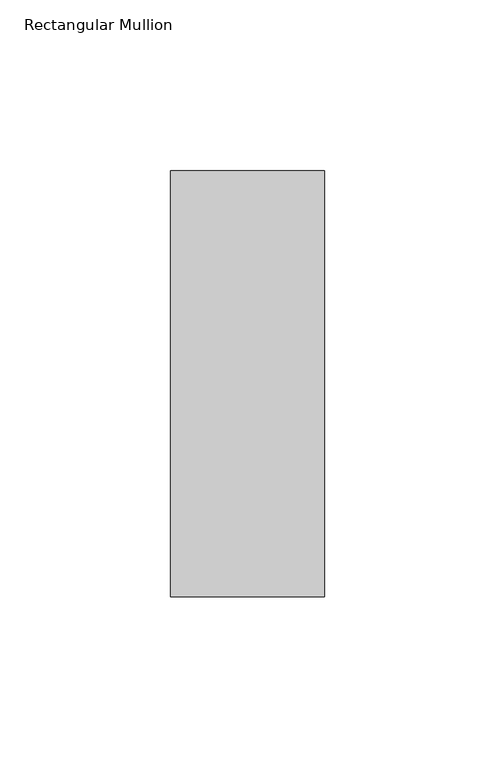
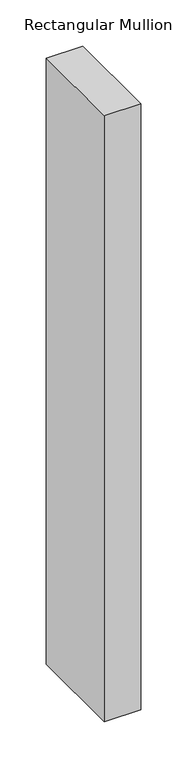
"""IFC4 building model written with IfcOpenShell, lengths in millimetres: member geometry, Rectangular Mullion."""

from ifc_helpers import new_model, si_unit, frame, origin, place, context, project, spatial, polyline, outline, extrude, source, transform, mapped, element, save


def rectangular_mullion_7e0adad7(model_context):
    return source(origin(), model_context, "Body", "SweptSolid", [
        extrude(outline(polyline([(22.5, -77.84375), (-22.5, -77.84375), (-22.5, 46.84375), (22.5, 46.84375), (22.5, -77.84375)])), frame((0.0, 0.0, -796.1), z_axis=(0.0, 0.0, 1.0), x_axis=(1.0, 0.0, 0.0)), (0.0, 0.0, 1.0), 796.1),
    ])


if __name__ == "__main__":
    model = new_model("IFC4")
    model_context = context("Model", 3, world=origin())
    ifc_project = project(units=[si_unit("LENGTHUNIT", "METRE", prefix="MILLI")], contexts=[model_context])
    site = spatial("IfcSite", under=ifc_project)
    building = spatial("IfcBuilding", under=site)
    placement = place(None, origin())
    rectangular_mullion_shape = rectangular_mullion_7e0adad7(model_context)
    element("IfcMember", 1, ObjectType="Rectangular Mullion", at=placement, inside=building, context=model_context, shape_type="MappedRepresentation", body=[
        mapped(rectangular_mullion_shape, transform((0.0, 0.0, 0.0), x_axis=(1.0, 0.0, 0.0), y_axis=(0.0, 1.0, 0.0), z_axis=(0.0, 0.0, 1.0))),
    ])
    save(model, "model.ifc")
